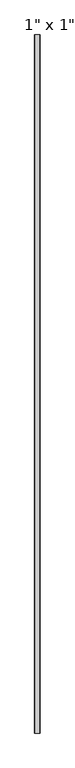
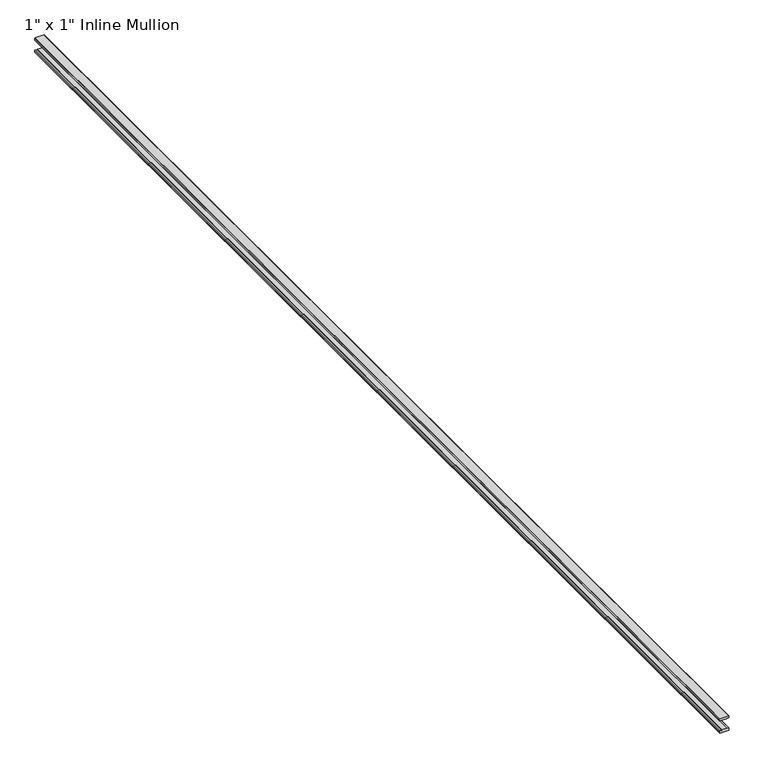
"""IFC4 building model written with IfcOpenShell, lengths in millimetres: proxy geometry."""

from ifc_helpers import new_model, si_unit, point, frame, frame_2d, origin, place, context, project, spatial, polyline, circle_curve, trimmed, segment, composite_curve, outline, extrude, source, transform, mapped, element, save


def proxy_f900d751(model_context):
    return source(origin(), model_context, "Body", "SweptSolid", [
        extrude(outline(composite_curve([segment(polyline([(5.64, -11.5), (1.0, -11.5)]), True, "CONTINUOUS"), segment(trimmed(circle_curve(frame_2d((1.0, -11.0)), 0.5), [point((1.0, -11.5))], [point((0.5, -11.0))], False, "CARTESIAN"), True, "CONTINUOUS"), segment(polyline([(0.5, -11.0), (0.5, -6.75), (1.5, -6.75), (1.5, -5.7984177), (0.0, -6.0), (0.0, 6.0), (1.5, 5.7984177), (1.5, 6.75), (0.5, 6.75), (0.5, 11.0)]), True, "CONTINUOUS"), segment(trimmed(circle_curve(frame_2d((1.0, 11.0)), 0.5), [point((0.5, 11.0))], [point((1.0, 11.5))], False, "CARTESIAN"), True, "CONTINUOUS"), segment(polyline([(1.0, 11.5), (5.64, 11.5)]), True, "CONTINUOUS"), segment(trimmed(circle_curve(frame_2d((5.64, 11.0)), 0.5), [point((5.64, 11.5))], [point((6.14, 11.0))], False, "CARTESIAN"), True, "CONTINUOUS"), segment(polyline([(6.14, 11.0), (6.14, -11.0)]), True, "CONTINUOUS"), segment(trimmed(circle_curve(frame_2d((5.64, -11.0)), 0.5), [point((6.14, -11.0))], [point((5.64, -11.5))], False, "CARTESIAN"), True, "CONTINUOUS")], self_intersect=False)), frame((0.0, -1460.5, 0.0), z_axis=(0.0, 1.0, 0.0), x_axis=(0.0, 0.0, 1.0)), (0.0, 0.0, 1.0), 2921.0),
        extrude(outline(composite_curve([segment(trimmed(circle_curve(frame_2d((-26.4, -11.0)), 0.5), [point((-25.9, -11.0))], [point((-26.4, -11.5))], False, "CARTESIAN"), True, "CONTINUOUS"), segment(polyline([(-26.4, -11.5), (-31.04, -11.5)]), True, "CONTINUOUS"), segment(trimmed(circle_curve(frame_2d((-31.04, -11.0)), 0.5), [point((-31.04, -11.5))], [point((-31.54, -11.0))], False, "CARTESIAN"), True, "CONTINUOUS"), segment(polyline([(-31.54, -11.0), (-31.54, 11.0)]), True, "CONTINUOUS"), segment(trimmed(circle_curve(frame_2d((-31.04, 11.0)), 0.5), [point((-31.54, 11.0))], [point((-31.04, 11.5))], False, "CARTESIAN"), True, "CONTINUOUS"), segment(polyline([(-31.04, 11.5), (-26.4, 11.5)]), True, "CONTINUOUS"), segment(trimmed(circle_curve(frame_2d((-26.4, 11.0)), 0.5), [point((-26.4, 11.5))], [point((-25.9, 11.0))], False, "CARTESIAN"), True, "CONTINUOUS"), segment(polyline([(-25.9, 11.0), (-25.9, 6.75), (-26.9, 6.75), (-26.9, 5.7984177), (-25.4, 6.0), (-25.4, -6.0), (-26.9, -5.7984177), (-26.9, -6.75), (-25.9, -6.75), (-25.9, -11.0)]), True, "CONTINUOUS")], self_intersect=False)), frame((0.0, -1460.5, 0.0), z_axis=(0.0, 1.0, 0.0), x_axis=(0.0, 0.0, 1.0)), (0.0, 0.0, 1.0), 2921.0),
    ])


if __name__ == "__main__":
    model = new_model("IFC4")
    model_context = context("Model", 3, world=origin())
    ifc_project = project(units=[si_unit("LENGTHUNIT", "METRE", prefix="MILLI")], contexts=[model_context])
    site = spatial("IfcSite", under=ifc_project)
    building = spatial("IfcBuilding", under=site)
    placement = place(None, origin())
    proxy_shape = proxy_f900d751(model_context)
    element("IfcBuildingElementProxy", 1, Name="1\" x 1\" Inline Mullion", ObjectType="1\" x 1\" Inline Mullion", at=placement, inside=building, context=model_context, shape_type="MappedRepresentation", body=[
        mapped(proxy_shape, transform((0.0, 0.0, 0.0), x_axis=(1.0, 0.0, 0.0), y_axis=(0.0, 1.0, 0.0), z_axis=(0.0, 0.0, 1.0))),
    ])
    save(model, "model.ifc")
